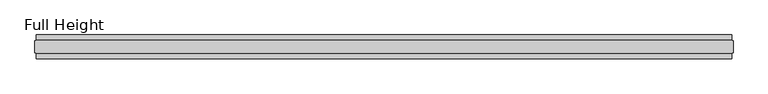
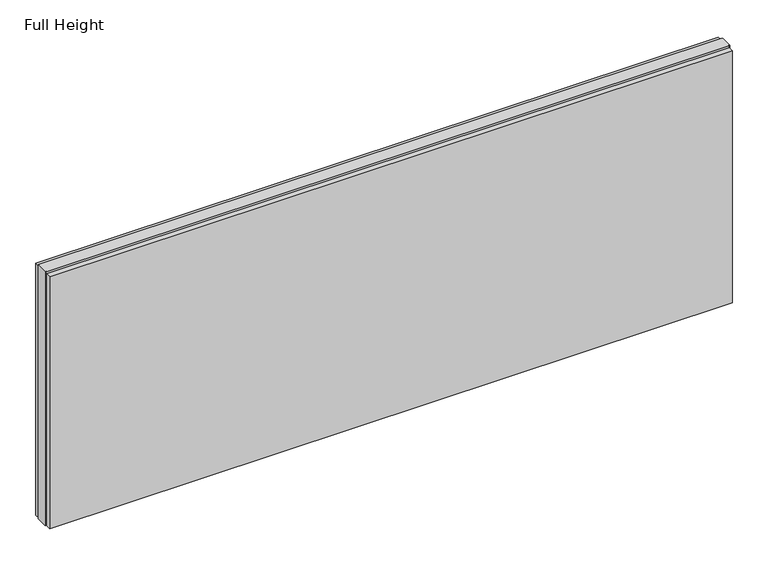
"""IFC4 building model written with IfcOpenShell, lengths in millimetres: plate geometry, Full Height."""

from ifc_helpers import new_model, si_unit, origin, origin_with_axes, place, context, project, spatial, polyline, outline, extrude, source, transform, mapped, element, save


def full_height_1eda59ad(model_context):
    return source(origin(), model_context, "Body", "SweptSolid", [
        extrude(outline(polyline([(1443.228, -28.956), (1443.228, -49.53), (-1443.228, -49.53), (-1443.228, -28.956), (1443.228, -28.956)])), origin_with_axes(), (0.0, 0.0, 1.0), 1125.7603701),
        extrude(outline(polyline([(1443.228, 28.956), (-1443.228, 28.956), (-1443.228, 49.53), (1443.228, 49.53), (1443.228, 28.956)])), origin_with_axes(), (0.0, 0.0, 1.0), 1125.7603701),
        extrude(outline(polyline([(1443.228, 25.146), (1447.8, 25.146), (1447.8, -25.146), (1443.228, -25.146), (1443.228, -26.67), (-1443.228, -26.67), (-1443.228, -25.146), (-1447.8, -25.146), (-1447.8, 25.146), (-1443.228, 25.146), (-1443.228, 26.67), (1443.228, 26.67), (1443.228, 25.146)])), origin_with_axes(), (0.0, 0.0, 1.0), 1134.9043701),
    ])


if __name__ == "__main__":
    model = new_model("IFC4")
    model_context = context("Model", 3, world=origin())
    ifc_project = project(units=[si_unit("LENGTHUNIT", "METRE", prefix="MILLI")], contexts=[model_context])
    site = spatial("IfcSite", under=ifc_project)
    building = spatial("IfcBuilding", under=site)
    placement = place(None, origin())
    full_height_shape = full_height_1eda59ad(model_context)
    element("IfcPlate", 1, ObjectType="Full Height", at=placement, inside=building, context=model_context, shape_type="MappedRepresentation", body=[
        mapped(full_height_shape, transform((0.0, 0.0, 0.0), x_axis=(1.0, 0.0, 0.0), y_axis=(0.0, 1.0, 0.0), z_axis=(0.0, 0.0, 1.0))),
    ])
    save(model, "model.ifc")
